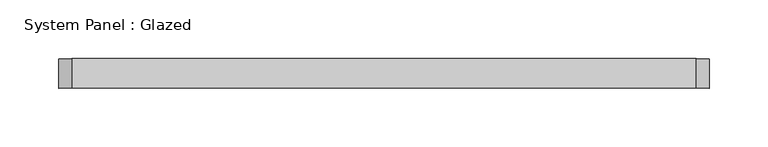
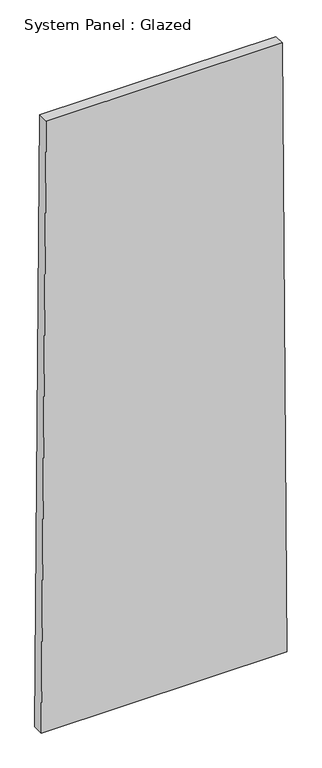
"""IFC4 building model written with IfcOpenShell, lengths in millimetres: plate geometry, System Panel : Glazed."""

import ifcopenshell
import ifcopenshell.guid

model = None  # the IFC model being written
_history = None  # IfcOwnerHistory: only IFC2X3 demands one
_inside = {}  # id of a spatial element -> (the spatial element, [elements in it])
_under = {}  # id of a project, library or spatial element -> (it, [spatial elements below it])
_declared = {}  # id of a project -> (the project, [libraries it declares])
_typed = {}  # id of a type object -> (the type object, [elements of that type])
_made_of = {}  # id of a material, layer set ... -> (it, [elements and type objects made of it])


def new_model(schema):
    """Start an empty IFC model of exactly this schema.

    Asked for "IFC4X3", IfcOpenShell would pick the latest addendum, in which some entities
    have other attributes; the version numbers below select the first issue.
    IFC2X3 requires an IfcOwnerHistory on every rooted entity: one is made here for all.
    """
    global model, _history
    if schema == "IFC4X3":
        model = ifcopenshell.file(schema_version=(4, 3, 0, 0))
    else:
        model = ifcopenshell.file(schema=schema)
    _inside.clear()
    _under.clear()
    _declared.clear()
    _typed.clear()
    _made_of.clear()
    _history = None
    if model.schema == "IFC2X3":
        org = make("IfcOrganization", Name="unknown")
        user = make(
            "IfcPersonAndOrganization",
            ThePerson=make("IfcPerson", FamilyName="unknown"),
            TheOrganization=org,
        )
        app = make(
            "IfcApplication",
            ApplicationDeveloper=org,
            Version="unknown",
            ApplicationFullName="unknown",
            ApplicationIdentifier="unknown",
        )
        _history = make(
            "IfcOwnerHistory",
            OwningUser=user,
            OwningApplication=app,
            ChangeAction="ADDED",
            CreationDate=0,
        )
    return model


def make(cls, **values):
    """One entity of the class cls with the attributes given. An attribute that is None is left unset."""
    return model.create_entity(
        cls, **{name: value for name, value in values.items() if value is not None}
    )


def rooted(cls, **values):
    """An entity with a GlobalId (a new one), such as an element, a storey or a relation."""
    return make(cls, GlobalId=ifcopenshell.guid.new(), OwnerHistory=_history, **values)


def si_unit(unit_type, name, prefix=None):
    """IfcSIUnit, for example si_unit("LENGTHUNIT", "METRE", prefix="MILLI")."""
    return make("IfcSIUnit", UnitType=unit_type, Prefix=prefix, Name=name)


def assignment(units):
    """IfcUnitAssignment: the units of a project."""
    return None if units is None else make("IfcUnitAssignment", Units=units)


def point(xyz):
    """IfcCartesianPoint."""
    return None if xyz is None else make("IfcCartesianPoint", Coordinates=xyz)


def direction(xyz):
    """IfcDirection."""
    return None if xyz is None else make("IfcDirection", DirectionRatios=xyz)


def frame(location, z_axis=None, x_axis=None):
    """IfcAxis2Placement3D, a coordinate frame: its origin and axes. An axis left out is left unset."""
    return make(
        "IfcAxis2Placement3D",
        Location=point(location),
        Axis=direction(z_axis),
        RefDirection=direction(x_axis),
    )


def origin():
    """The frame at (0, 0, 0) with its axes left unset."""
    return frame((0.0, 0.0, 0.0))


def place(relative_to, where):
    """IfcLocalPlacement: puts the frame where relative to a parent placement (None: the world)."""
    return make(
        "IfcLocalPlacement", PlacementRelTo=relative_to, RelativePlacement=where
    )


def context(
    kind, dimensions, precision=None, world=None, true_north=None, identifier=None
):
    """IfcGeometricRepresentationContext, for example the 3D "Model" context."""
    return make(
        "IfcGeometricRepresentationContext",
        ContextIdentifier=identifier,
        ContextType=kind,
        CoordinateSpaceDimension=dimensions,
        Precision=precision,
        WorldCoordinateSystem=world,
        TrueNorth=true_north,
    )


def project(units=None, contexts=None):
    """IfcProject with its units and contexts."""
    return rooted(
        "IfcProject",
        Name="project",
        RepresentationContexts=contexts,
        UnitsInContext=assignment(units),
    )


def spatial(cls, under=None, at=None, **own):
    """A site, building, storey or space (cls), placed at a placement, below another one or the project."""
    s = rooted(cls, ObjectPlacement=at, **own)
    if under is not None:
        _under.setdefault(under.id(), (under, []))[1].append(s)
    return s


def polyline(points):
    """IfcPolyline through the points."""
    return make("IfcPolyline", Points=[point(p) for p in points])


def outline(outer, holes=None, kind="AREA"):
    """IfcArbitraryClosedProfileDef: a profile drawn as a closed curve; with holes, ...WithVoids."""
    if holes is None:
        return make("IfcArbitraryClosedProfileDef", ProfileType=kind, OuterCurve=outer)
    return make(
        "IfcArbitraryProfileDefWithVoids",
        ProfileType=kind,
        OuterCurve=outer,
        InnerCurves=holes,
    )


def extrude(swept, where, along, depth):
    """IfcExtrudedAreaSolid: the profile swept, set in the frame where, extruded along a direction by depth."""
    return make(
        "IfcExtrudedAreaSolid",
        SweptArea=swept,
        Position=where,
        ExtrudedDirection=direction(along),
        Depth=depth,
    )


def shape(context_of_items, identifier, shape_type, items):
    """IfcShapeRepresentation: the items that make up one representation, for example the "Body"."""
    return make(
        "IfcShapeRepresentation",
        ContextOfItems=context_of_items,
        RepresentationIdentifier=identifier,
        RepresentationType=shape_type,
        Items=items,
    )


def source(mapping_origin, context_of_items, identifier, shape_type, items):
    """IfcRepresentationMap: a shape defined once, which mapped items show again and again."""
    return make(
        "IfcRepresentationMap",
        MappingOrigin=mapping_origin,
        MappedRepresentation=shape(context_of_items, identifier, shape_type, items),
    )


def transform(
    local_origin,
    x_axis=None,
    y_axis=None,
    z_axis=None,
    scale=None,
    scale2=None,
    scale3=None,
    uniform=True,
):
    """IfcCartesianTransformationOperator3D, or its non-uniform kind. x_axis, y_axis, z_axis: its Axis1, 2, 3."""
    if uniform:
        return make(
            "IfcCartesianTransformationOperator3D",
            Axis1=direction(x_axis),
            Axis2=direction(y_axis),
            LocalOrigin=point(local_origin),
            Scale=scale,
            Axis3=direction(z_axis),
        )
    return make(
        "IfcCartesianTransformationOperator3DnonUniform",
        Axis1=direction(x_axis),
        Axis2=direction(y_axis),
        LocalOrigin=point(local_origin),
        Scale=scale,
        Axis3=direction(z_axis),
        Scale2=scale2,
        Scale3=scale3,
    )


def mapped(mapping_source, mapping_target):
    """IfcMappedItem: shows the shape of a source again, moved by a transform."""
    return make(
        "IfcMappedItem", MappingSource=mapping_source, MappingTarget=mapping_target
    )


def made_of(thing, what):
    """Note that an element or type object is made of a material, layer set ...; save() writes the relation."""
    if what is not None:
        _made_of.setdefault(what.id(), (what, []))[1].append(thing)
    return thing


def element(
    cls,
    number,
    at=None,
    inside=None,
    cuts=None,
    type_object=None,
    material=None,
    context=None,
    identifier="Body",
    shape_type=None,
    held_by="IfcProductDefinitionShape",
    body=None,
    shapes=None,
    **own,
):
    """One element of the class cls, such as IfcWall. Its Tag is "e" and its number.

    at: its placement. inside: the storey or other place that contains it. cuts: it is an
    opening in that element (IfcRelVoidsElement). A single representation is given by context,
    identifier, shape_type and body (its items); several are given by shapes. held_by: the class
    of the entity that holds the representations. save() writes the other relations.
    """
    e = rooted(cls, Tag="e%d" % number, ObjectPlacement=at, **own)
    if body is not None:
        shapes = [shape(context, identifier, shape_type, body)]
    if shapes is not None:
        e.Representation = make(held_by, Representations=shapes)
    if inside is not None:
        _inside.setdefault(inside.id(), (inside, []))[1].append(e)
    if cuts is not None:
        rooted(
            "IfcRelVoidsElement", RelatingBuildingElement=cuts, RelatedOpeningElement=e
        )
    if type_object is not None:
        _typed.setdefault(type_object.id(), (type_object, []))[1].append(e)
    return made_of(e, material)


def aggregate(whole, parts):
    """IfcRelAggregates: a whole, such as a stair, and the parts it consists of."""
    return rooted("IfcRelAggregates", RelatingObject=whole, RelatedObjects=parts)


def save(model, path):
    """Write the relations noted so far, then the file.

    IfcRelAggregates (storeys below a building ...), IfcRelContainedInSpatialStructure (elements
    in a storey), IfcRelDefinesByType, IfcRelAssociatesMaterial and IfcRelDeclares: one each for
    every whole, place, type object, material and project.
    """
    for whole, parts in _under.values():
        aggregate(whole, parts)
    for where, things in _inside.values():
        rooted(
            "IfcRelContainedInSpatialStructure",
            RelatedElements=things,
            RelatingStructure=where,
        )
    for kind, things in _typed.values():
        rooted("IfcRelDefinesByType", RelatedObjects=things, RelatingType=kind)
    for what, things in _made_of.values():
        rooted("IfcRelAssociatesMaterial", RelatedObjects=things, RelatingMaterial=what)
    for by, libraries in _declared.values():
        rooted("IfcRelDeclares", RelatingContext=by, RelatedDefinitions=libraries)
    model.write(path)


def system_panel_glazed_6069615a(model_context):
    return source(origin(), model_context, "Body", "SweptSolid", [
        extrude(outline(polyline([(0.0, -276.509868), (0.0, 276.509868), (1449.9583773, 265.6954667), (1449.9583743, -265.6955083), (0.0, -276.509868)])), frame((0.0, -49.5, 0.0), z_axis=(0.0, 1.0, 0.0), x_axis=(0.0, 0.0, 1.0)), (0.0, 0.0, 1.0), 25.0),
    ])


if __name__ == "__main__":
    model = new_model("IFC4")
    model_context = context("Model", 3, world=origin())
    ifc_project = project(units=[si_unit("LENGTHUNIT", "METRE", prefix="MILLI")], contexts=[model_context])
    site = spatial("IfcSite", under=ifc_project)
    building = spatial("IfcBuilding", under=site)
    placement = place(None, origin())
    system_panel_glazed_shape = system_panel_glazed_6069615a(model_context)
    element("IfcPlate", 1, ObjectType="System Panel : Glazed", at=placement, inside=building, context=model_context, shape_type="MappedRepresentation", body=[
        mapped(system_panel_glazed_shape, transform((0.0, 0.0, 0.0), x_axis=(1.0, 0.0, 0.0), y_axis=(0.0, 1.0, 0.0), z_axis=(0.0, 0.0, 1.0))),
    ])
    save(model, "model.ifc")
